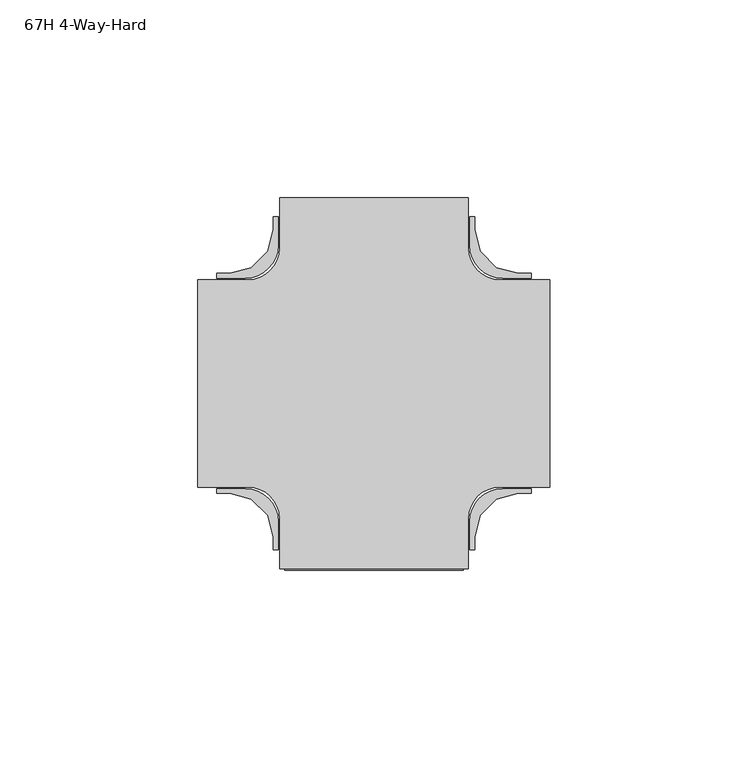
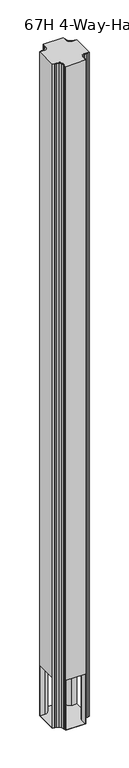
"""IFC4 building model written with IfcOpenShell, lengths in millimetres: furniture geometry, 67H 4-Way-Hard."""

from ifc_helpers import new_model, si_unit, point, frame, frame_2d, origin, place, context, project, spatial, polyline, circle_curve, trimmed, segment, composite_curve, outline, extrude, source, transform, mapped, element, save
from ifc_brep_helpers import plane_surface, cylinder_surface, revolved_surface, advanced_brep


def furniture_67h_4_way_hard_558d36b1(model_context):
    return source(origin(), model_context, "Body", "SolidModel", [
        advanced_brep(
        [(-38.1, 0.2270774, 1704.9749758), (-25.3999996, 0.2270774, 1704.9749758), (-17.4618657, -7.7110565, 1704.9749758), (-17.4618657, -20.410424, 1704.9749758), (30.1618626, -20.410424, 1704.9749758), (30.1618626, -7.7110565, 1704.9749758), (38.0999966, 0.2270774, 1704.9749758), (50.799997, 0.2270774, 1704.9749758), (50.799997, 52.614576, 1704.9749758), (38.0999966, 52.614576, 1704.9749758), (30.1618626, 60.55271, 1704.9749758), (30.1618626, 73.2520774, 1704.9749758), (-17.4618657, 73.2520774, 1704.9749758), (-17.4618657, 60.55271, 1704.9749758), (-25.3999996, 52.614576, 1704.9749758), (-38.1, 52.614576, 1704.9749758), (-38.1, 0.2270774, 9.525), (-38.1, 52.614576, 9.525), (-25.3999996, 52.614576, 9.525), (-17.4618657, 60.55271, 9.525), (-17.4618657, 73.2520774, 9.525), (30.1618626, 73.2520774, 9.525), (30.1618626, 60.55271, 9.525), (38.0999966, 52.614576, 9.525), (50.799997, 52.614576, 9.525), (50.799997, 0.2270774, 9.525), (38.0999966, 0.2270774, 9.525), (30.1618626, -7.7110565, 9.525), (30.1618626, -20.410424, 9.525), (-17.4618657, -20.410424, 9.525), (-17.4618657, -7.7110565, 9.525), (-25.3999996, 0.2270774, 9.525), (-38.1, 51.344576, 136.525), (-38.1, 1.4970774, 136.525), (-38.1, 1.4970774, 9.779), (-38.1, 51.344576, 9.779), (-16.1918657, -20.410424, 136.525), (28.8918626, -20.410424, 136.525), (28.8918626, -20.410424, 9.779), (-16.1918657, -20.410424, 9.779), (50.799997, 1.4970774, 136.525), (50.799997, 51.344576, 136.525), (50.799997, 51.344576, 9.779), (50.799997, 1.4970774, 9.779), (28.8918626, 73.2520774, 136.525), (-16.1918657, 73.2520774, 136.525), (-16.1918657, 73.2520774, 9.779), (28.8918626, 73.2520774, 9.779), (38.0999966, 1.4970774, 136.525), (28.8918626, -7.7110565, 136.525), (-16.1918657, -7.7110565, 136.525), (-25.3999996, 1.4970774, 136.525), (-25.3999996, 51.344576, 136.525), (-16.1918657, 60.55271, 136.525), (28.8918626, 60.55271, 136.525), (38.0999966, 51.344576, 136.525), (38.0999966, 51.344576, 9.779), (28.8918626, 60.55271, 9.779), (-16.1918657, 60.55271, 9.779), (-25.3999996, 51.344576, 9.779), (-25.3999996, 1.4970774, 9.779), (-16.1918657, -7.7110565, 9.779), (28.8918626, -7.7110565, 9.779), (38.0999966, 1.4970774, 9.779)],
        [
            (0, 1),
            (1, 2, circle_curve(frame((-25.3999996, -7.7110565, 1704.9749758), z_axis=(0.0, 0.0, -1.0), x_axis=(1.0, 0.0, 0.0)), 7.938134)),
            (2, 3),
            (3, 4),
            (4, 5),
            (5, 6, circle_curve(frame((38.0999966, -7.7110565, 1704.9749758), z_axis=(0.0, 0.0, -1.0), x_axis=(1.0, 0.0, 0.0)), 7.938134)),
            (6, 7),
            (7, 8),
            (8, 9),
            (9, 10, circle_curve(frame((38.0999966, 60.55271, 1704.9749758), z_axis=(0.0, 0.0, -1.0), x_axis=(1.0, 0.0, 0.0)), 7.938134)),
            (10, 11),
            (11, 12),
            (12, 13),
            (13, 14, circle_curve(frame((-25.3999996, 60.55271, 1704.9749758), z_axis=(0.0, 0.0, -1.0), x_axis=(1.0, 0.0, 0.0)), 7.938134)),
            (14, 15),
            (15, 0),
            (16, 17),
            (17, 18),
            (18, 19, circle_curve(frame((-25.3999996, 60.55271, 9.525), z_axis=(0.0, 0.0, 1.0), x_axis=(1.0, 0.0, 0.0)), 7.938134)),
            (19, 20),
            (20, 21),
            (21, 22),
            (22, 23, circle_curve(frame((38.0999966, 60.55271, 9.525), z_axis=(0.0, 0.0, 1.0), x_axis=(1.0, 0.0, 0.0)), 7.938134)),
            (23, 24),
            (24, 25),
            (25, 26),
            (26, 27, circle_curve(frame((38.0999966, -7.7110565, 9.525), z_axis=(0.0, 0.0, 1.0), x_axis=(1.0, 0.0, 0.0)), 7.938134)),
            (27, 28),
            (28, 29),
            (29, 30),
            (30, 31, circle_curve(frame((-25.3999996, -7.7110565, 9.525), z_axis=(0.0, 0.0, 1.0), x_axis=(1.0, 0.0, 0.0)), 7.938134)),
            (31, 16),
            (15, 17),
            (16, 0),
            (32, 33),
            (33, 34),
            (34, 35),
            (35, 32),
            (3, 29),
            (28, 4),
            (36, 37),
            (37, 38),
            (38, 39),
            (39, 36),
            (7, 25),
            (24, 8),
            (40, 41),
            (41, 42),
            (42, 43),
            (43, 40),
            (31, 1),
            (30, 2),
            (27, 5),
            (26, 6),
            (23, 9),
            (22, 10),
            (21, 11),
            (20, 12),
            (44, 45),
            (45, 46),
            (46, 47),
            (47, 44),
            (19, 13),
            (18, 14),
            (48, 49, circle_curve(frame((38.0999966, -7.7110565, 136.525), z_axis=(0.0, 0.0, 1.0), x_axis=(1.0, 0.0, 0.0)), 9.208134)),
            (49, 37),
            (36, 50),
            (50, 51, circle_curve(frame((-25.3999996, -7.7110565, 136.525), z_axis=(0.0, 0.0, 1.0), x_axis=(1.0, 0.0, 0.0)), 9.208134)),
            (51, 33),
            (32, 52),
            (52, 53, circle_curve(frame((-25.3999996, 60.55271, 136.525), z_axis=(0.0, 0.0, 1.0), x_axis=(1.0, 0.0, 0.0)), 9.208134)),
            (53, 45),
            (44, 54),
            (54, 55, circle_curve(frame((38.0999966, 60.55271, 136.525), z_axis=(0.0, 0.0, 1.0), x_axis=(1.0, 0.0, 0.0)), 9.208134)),
            (55, 41),
            (40, 48),
            (56, 57, circle_curve(frame((38.0999966, 60.55271, 9.779), z_axis=(0.0, 0.0, -1.0), x_axis=(1.0, 0.0, 0.0)), 9.208134)),
            (57, 47),
            (46, 58),
            (58, 59, circle_curve(frame((-25.3999996, 60.55271, 9.779), z_axis=(0.0, 0.0, -1.0), x_axis=(1.0, 0.0, 0.0)), 9.208134)),
            (59, 35),
            (34, 60),
            (60, 61, circle_curve(frame((-25.3999996, -7.7110565, 9.779), z_axis=(0.0, 0.0, -1.0), x_axis=(1.0, 0.0, 0.0)), 9.208134)),
            (61, 39),
            (38, 62),
            (62, 63, circle_curve(frame((38.0999966, -7.7110565, 9.779), z_axis=(0.0, 0.0, -1.0), x_axis=(1.0, 0.0, 0.0)), 9.208134)),
            (63, 43),
            (42, 56),
            (51, 60),
            (50, 61),
            (49, 62),
            (48, 63),
            (55, 56),
            (54, 57),
            (53, 58),
            (52, 59),
        ],
        [
            plane_surface(frame((-38.1, 0.2270774, 1704.9749758), z_axis=(0.0, 0.0, 1.0), x_axis=(1.0, 0.0, 0.0))),
            plane_surface(frame((-38.1, 0.2270774, 9.525), z_axis=(0.0, 0.0, -1.0), x_axis=(-1.0, 0.0, 0.0))),
            plane_surface(frame((-38.1, 52.614576, 1704.9749758), z_axis=(-1.0, 0.0, 0.0), x_axis=(0.0, 0.0, -1.0))),
            plane_surface(frame((-17.4618657, -20.410424, 1704.9749758), z_axis=(0.0, -1.0, 0.0), x_axis=(0.0, 0.0, -1.0))),
            plane_surface(frame((50.799997, 0.2270774, 1704.9749758), z_axis=(1.0, 0.0, 0.0), x_axis=(0.0, 0.0, -1.0))),
            plane_surface(frame((-38.1, 0.2270774, 1704.9749758), z_axis=(0.0, -1.0, 0.0), x_axis=(0.0, 0.0, -1.0))),
            revolved_surface(polyline([(-17.461865600000003, -7.7110565, 9.525), (-17.461865600000003, -7.7110565, 1704.9749758)]), (-25.3999996, -7.7110565, 9.525), (0.0, 0.0, -1.0)),
            plane_surface(frame((-17.4618657, -7.7110565, 1704.9749758), z_axis=(-1.0, 0.0, 0.0), x_axis=(0.0, 0.0, -1.0))),
            plane_surface(frame((30.1618626, -20.410424, 1704.9749758), z_axis=(1.0, 0.0, 0.0), x_axis=(0.0, 0.0, -1.0))),
            revolved_surface(polyline([(46.038130599999995, -7.7110565, 9.525), (46.038130599999995, -7.7110565, 1704.9749758)]), (38.0999966, -7.7110565, 9.525), (0.0, 0.0, -1.0)),
            plane_surface(frame((38.0999966, 0.2270774, 1704.9749758), z_axis=(0.0, -1.0, 0.0), x_axis=(0.0, 0.0, -1.0))),
            plane_surface(frame((50.799997, 52.614576, 1704.9749758), z_axis=(0.0, 1.0, 0.0), x_axis=(0.0, 0.0, -1.0))),
            revolved_surface(polyline([(46.038130599999995, 60.55271, 9.525), (46.038130599999995, 60.55271, 1704.9749758)]), (38.0999966, 60.55271, 9.525), (0.0, 0.0, -1.0)),
            plane_surface(frame((30.1618626, 60.55271, 1704.9749758), z_axis=(1.0, 0.0, 0.0), x_axis=(0.0, 0.0, -1.0))),
            plane_surface(frame((30.1618626, 73.2520774, 1704.9749758), z_axis=(0.0, 1.0, 0.0), x_axis=(0.0, 0.0, -1.0))),
            plane_surface(frame((-17.4618657, 73.2520774, 1704.9749758), z_axis=(-1.0, 0.0, 0.0), x_axis=(0.0, 0.0, -1.0))),
            revolved_surface(polyline([(-17.461865600000003, 60.55271, 9.525), (-17.461865600000003, 60.55271, 1704.9749758)]), (-25.3999996, 60.55271, 9.525), (0.0, 0.0, -1.0)),
            plane_surface(frame((-25.3999996, 52.614576, 1704.9749758), z_axis=(0.0, 1.0, 0.0), x_axis=(0.0, 0.0, -1.0))),
            plane_surface(frame((38.0999966, 51.344576, 136.525), z_axis=(0.0, 0.0, -1.0), x_axis=(-1.0, 0.0, 0.0))),
            plane_surface(frame((38.0999966, 51.344576, 9.779), z_axis=(0.0, 0.0, 1.0), x_axis=(1.0, 0.0, 0.0))),
            plane_surface(frame((-43.18, 1.4970774, 136.525), z_axis=(0.0, 1.0, 0.0), x_axis=(0.0, 0.0, -1.0))),
            cylinder_surface(frame((-25.3999996, -7.7110565, 9.779), z_axis=(0.0, 0.0, -1.0), x_axis=(1.0, 0.0, 0.0)), 9.208134),
            plane_surface(frame((-16.1918657, -7.7110565, 136.525), z_axis=(1.0, 0.0, 0.0), x_axis=(0.0, 0.0, -1.0))),
            plane_surface(frame((28.8918626, -23.7122902, 136.525), z_axis=(-1.0, 0.0, 0.0), x_axis=(0.0, 0.0, -1.0))),
            cylinder_surface(frame((38.0999966, -7.7110565, 9.779), z_axis=(0.0, 0.0, -1.0), x_axis=(1.0, 0.0, 0.0)), 9.208134),
            plane_surface(frame((38.0999966, 1.4970774, 136.525), z_axis=(0.0, 1.0, 0.0), x_axis=(0.0, 0.0, -1.0))),
            plane_surface(frame((54.292497, 51.344576, 136.525), z_axis=(0.0, -1.0, 0.0), x_axis=(0.0, 0.0, -1.0))),
            cylinder_surface(frame((38.0999966, 60.55271, 9.779), z_axis=(0.0, 0.0, -1.0), x_axis=(1.0, 0.0, 0.0)), 9.208134),
            plane_surface(frame((28.8918626, 60.55271, 136.525), z_axis=(-1.0, 0.0, 0.0), x_axis=(0.0, 0.0, -1.0))),
            plane_surface(frame((-16.1918657, 76.5539436, 136.525), z_axis=(1.0, 0.0, 0.0), x_axis=(0.0, 0.0, -1.0))),
            cylinder_surface(frame((-25.3999996, 60.55271, 9.779), z_axis=(0.0, 0.0, -1.0), x_axis=(1.0, 0.0, 0.0)), 9.208134),
            plane_surface(frame((-25.3999996, 51.344576, 136.525), z_axis=(0.0, -1.0, 0.0), x_axis=(0.0, 0.0, -1.0))),
        ],
        [
            (0, [[1, 2, 3, 4, 5, 6, 7, 8, 9, 10, 11, 12, 13, 14, 15, 16]]),
            (1, [[17, 18, 19, 20, 21, 22, 23, 24, 25, 26, 27, 28, 29, 30, 31, 32]]),
            (2, [[-16, 33, -17, 34], [35, 36, 37, 38]]),
            (3, [[-4, 39, -29, 40], [41, 42, 43, 44]]),
            (4, [[-8, 45, -25, 46], [47, 48, 49, 50]]),
            (5, [[-1, -34, -32, 51]]),
            (6, [[-2, -51, -31, 52]]),
            (7, [[-3, -52, -30, -39]]),
            (8, [[-5, -40, -28, 53]]),
            (9, [[-6, -53, -27, 54]]),
            (10, [[-7, -54, -26, -45]]),
            (11, [[-9, -46, -24, 55]]),
            (12, [[-10, -55, -23, 56]]),
            (13, [[-11, -56, -22, 57]]),
            (14, [[-12, -57, -21, 58], [59, 60, 61, 62]]),
            (15, [[-13, -58, -20, 63]]),
            (16, [[-14, -63, -19, 64]]),
            (17, [[-15, -64, -18, -33]]),
            (18, [[65, 66, -41, 67, 68, 69, -35, 70, 71, 72, -59, 73, 74, 75, -47, 76]]),
            (19, [[77, 78, -61, 79, 80, 81, -37, 82, 83, 84, -43, 85, 86, 87, -49, 88]]),
            (20, [[89, -82, -36, -69]]),
            (21, [[-68, 90, -83, -89]]),
            (22, [[-90, -67, -44, -84]]),
            (23, [[91, -85, -42, -66]]),
            (24, [[-65, 92, -86, -91]]),
            (25, [[-92, -76, -50, -87]]),
            (26, [[93, -88, -48, -75]]),
            (27, [[-74, 94, -77, -93]]),
            (28, [[-94, -73, -62, -78]]),
            (29, [[95, -79, -60, -72]]),
            (30, [[-71, 96, -80, -95]]),
            (31, [[-96, -70, -38, -81]]),
        ],
    ),
        extrude(outline(composite_curve([segment(polyline([(31.7500015, 68.489579), (31.7506328, 65.2764757), (33.2343222, 59.7392774), (37.2878357, 55.6857639), (42.8250386, 54.202079), (46.037497, 54.2014432), (46.037497, 53.0082793), (38.8750832, 53.0082793)]), True, "CONTINUOUS"), segment(trimmed(circle_curve(frame_2d((38.8750832, 61.3265294)), 8.3182501), [point((38.8750832, 53.0082793))], [point((30.5568331, 61.3265294))], False, "CARTESIAN"), True, "CONTINUOUS"), segment(polyline([(30.5568331, 61.3265294), (30.5568331, 68.489579), (31.7500015, 68.489579)]), True, "CONTINUOUS")], self_intersect=False)), frame((0.0, 0.0, 9.525), z_axis=(0.0, 0.0, 1.0), x_axis=(1.0, 0.0, 0.0)), (0.0, 0.0, 1.0), 1695.4499758),
        extrude(outline(composite_curve([segment(polyline([(-19.0500045, 68.489579), (-17.8568361, 68.489579), (-17.8568361, 61.3265294)]), True, "CONTINUOUS"), segment(trimmed(circle_curve(frame_2d((-26.1750862, 61.3265294)), 8.3182501), [point((-17.8568361, 61.3265294))], [point((-26.1750862, 53.0082793))], False, "CARTESIAN"), True, "CONTINUOUS"), segment(polyline([(-26.1750862, 53.0082793), (-33.3375, 53.0082793), (-33.3375, 54.2014432), (-30.1250417, 54.202079), (-24.5878388, 55.6857639), (-20.5343253, 59.7392774), (-19.0506359, 65.2764757), (-19.0500045, 68.489579)]), True, "CONTINUOUS")], self_intersect=False)), frame((0.0, 0.0, 9.525), z_axis=(0.0, 0.0, 1.0), x_axis=(1.0, 0.0, 0.0)), (0.0, 0.0, 1.0), 1695.4499758),
        extrude(outline(composite_curve([segment(polyline([(31.7500015, -15.6479256), (30.5568331, -15.6479256), (30.5568331, -8.4848759)]), True, "CONTINUOUS"), segment(trimmed(circle_curve(frame_2d((38.8750832, -8.4848759)), 8.3182501), [point((30.5568331, -8.4848759))], [point((38.8750832, -0.1666258))], False, "CARTESIAN"), True, "CONTINUOUS"), segment(polyline([(38.8750832, -0.1666258), (46.037497, -0.1666258), (46.037497, -1.3597897), (42.8250386, -1.3604256), (37.2878357, -2.8441105), (33.2343222, -6.897624), (31.7506328, -12.4348223), (31.7500015, -15.6479256)]), True, "CONTINUOUS")], self_intersect=False)), frame((0.0, 0.0, 9.525), z_axis=(0.0, 0.0, 1.0), x_axis=(1.0, 0.0, 0.0)), (0.0, 0.0, 1.0), 1695.4499758),
        extrude(outline(composite_curve([segment(polyline([(-19.0500045, -15.6479256), (-19.0506359, -12.4348223), (-20.5343253, -6.897624), (-24.5878388, -2.8441105), (-30.1250417, -1.3604256), (-33.3375, -1.3597897), (-33.3375, -0.1666258), (-26.1750862, -0.1666258)]), True, "CONTINUOUS"), segment(trimmed(circle_curve(frame_2d((-26.1750862, -8.4848759)), 8.3182501), [point((-26.1750862, -0.1666258))], [point((-17.8568361, -8.4848759))], False, "CARTESIAN"), True, "CONTINUOUS"), segment(polyline([(-17.8568361, -8.4848759), (-17.8568361, -15.6479256), (-19.0500045, -15.6479256)]), True, "CONTINUOUS")], self_intersect=False)), frame((0.0, 0.0, 9.525), z_axis=(0.0, 0.0, 1.0), x_axis=(1.0, 0.0, 0.0)), (0.0, 0.0, 1.0), 1695.4499758),
    ])


if __name__ == "__main__":
    model = new_model("IFC4")
    model_context = context("Model", 3, world=origin())
    ifc_project = project(units=[si_unit("LENGTHUNIT", "METRE", prefix="MILLI")], contexts=[model_context])
    site = spatial("IfcSite", under=ifc_project)
    building = spatial("IfcBuilding", under=site)
    placement = place(None, origin())
    furniture_67h_4_way_hard_shape = furniture_67h_4_way_hard_558d36b1(model_context)
    element("IfcFurniture", 1, ObjectType="67H 4-Way-Hard", at=placement, inside=building, context=model_context, shape_type="MappedRepresentation", body=[
        mapped(furniture_67h_4_way_hard_shape, transform((0.0, 0.0, 0.0), x_axis=(1.0, 0.0, 0.0), y_axis=(0.0, 1.0, 0.0), z_axis=(0.0, 0.0, 1.0))),
    ])
    save(model, "model.ifc")
